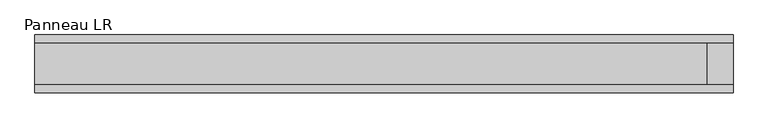
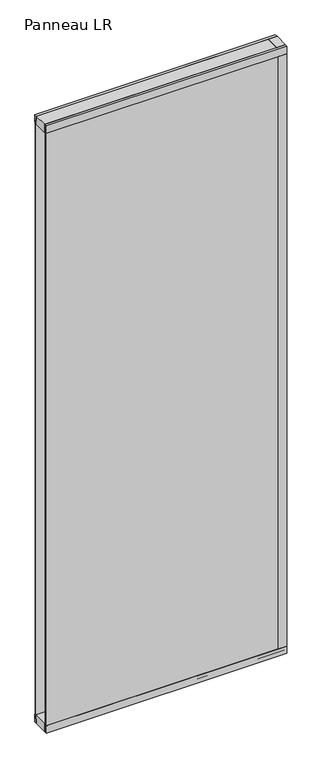
"""IFC4 building model written with IfcOpenShell, lengths in millimetres: plate geometry, Panneau LR."""

from ifc_helpers import new_model, si_unit, frame, origin, origin_with_axes, place, context, project, spatial, polyline, outline, extrude, source, transform, mapped, element, save


def panneau_lr_df6892fe(model_context):
    return source(origin(), model_context, "Body", "SweptSolid", [
        extrude(outline(polyline([(33.0, 2910.0), (45.0, 2910.0), (45.0, 2875.0), (43.8, 2875.0), (43.8, 2890.0), (33.0, 2890.0), (33.0, 2910.0)])), frame((-545.3125001, 0.0, 0.0), z_axis=(1.0, 0.0, 0.0), x_axis=(0.0, 1.0, 0.0)), (0.0, 0.0, 1.0), 1090.6250002),
        extrude(outline(polyline([(-45.0, 2875.0), (-45.0, 2910.0), (-33.0, 2910.0), (-33.0, 2890.0), (-43.8, 2890.0), (-43.8, 2875.0), (-45.0, 2875.0)])), frame((-545.3125001, 0.0, 0.0), z_axis=(1.0, 0.0, 0.0), x_axis=(0.0, 1.0, 0.0)), (0.0, 0.0, 1.0), 1090.6250002),
        extrude(outline(polyline([(545.3125001, 33.0), (545.3125001, -33.0), (505.3125001, -33.0), (505.3125001, 33.0), (545.3125001, 33.0)])), frame((0.0, 0.0, 40.0), z_axis=(0.0, 0.0, 1.0), x_axis=(1.0, 0.0, 0.0)), (0.0, 0.0, 1.0), 2870.0),
        extrude(outline(polyline([(506.7125001, 43.8), (506.7125001, 45.0), (545.3125001, 45.0), (545.3125001, 33.0), (521.7125001, 33.0), (521.7125001, 43.8), (506.7125001, 43.8)])), frame((0.0, 0.0, 35.0), z_axis=(0.0, 0.0, 1.0), x_axis=(1.0, 0.0, 0.0)), (0.0, 0.0, 1.0), 2840.0),
        extrude(outline(polyline([(506.7125001, -45.0), (506.7125001, -43.8), (521.7125001, -43.8), (521.7125001, -33.0), (545.3125001, -33.0), (545.3125001, -45.0), (506.7125001, -45.0)])), frame((0.0, 0.0, 35.0), z_axis=(0.0, 0.0, 1.0), x_axis=(1.0, 0.0, 0.0)), (0.0, 0.0, 1.0), 2840.0),
        extrude(outline(polyline([(33.0, 0.0), (33.0, 20.0), (43.8, 20.0), (43.8, 35.0), (45.0, 35.0), (45.0, 0.0), (33.0, 0.0)])), frame((-545.3125001, 0.0, 0.0), z_axis=(1.0, 0.0, 0.0), x_axis=(0.0, 1.0, 0.0)), (0.0, 0.0, 1.0), 1090.6250002),
        extrude(outline(polyline([(-45.0, 35.0), (-43.8, 35.0), (-43.8, 20.0), (-33.0, 20.0), (-33.0, 0.0), (-45.0, 0.0), (-45.0, 35.0)])), frame((-545.3125001, 0.0, 0.0), z_axis=(1.0, 0.0, 0.0), x_axis=(0.0, 1.0, 0.0)), (0.0, 0.0, 1.0), 1090.6250002),
        extrude(outline(polyline([(545.3125001, -33.0), (-545.3125001, -33.0), (-545.3125001, 33.0), (545.3125001, 33.0), (545.3125001, -33.0)])), frame((0.0, 0.0, 2870.0), z_axis=(0.0, 0.0, 1.0), x_axis=(1.0, 0.0, 0.0)), (0.0, 0.0, 1.0), 40.0),
        extrude(outline(polyline([(545.3125001, -33.0), (-545.3125001, -33.0), (-545.3125001, 33.0), (545.3125001, 33.0), (545.3125001, -33.0)])), origin_with_axes(), (0.0, 0.0, 1.0), 40.0),
        extrude(outline(polyline([(537.3125001, 37.8), (-545.3125001, 37.8), (-545.3125001, 43.8), (537.3125001, 43.8), (537.3125001, 37.8)])), frame((0.0, 0.0, 20.0), z_axis=(0.0, 0.0, 1.0), x_axis=(1.0, 0.0, 0.0)), (0.0, 0.0, 1.0), 2870.0),
        extrude(outline(polyline([(-545.3125001, -43.8), (-545.3125001, -37.8), (537.3125001, -37.8), (537.3125001, -43.8), (-545.3125001, -43.8)])), frame((0.0, 0.0, 20.0), z_axis=(0.0, 0.0, 1.0), x_axis=(1.0, 0.0, 0.0)), (0.0, 0.0, 1.0), 2870.0),
    ])


if __name__ == "__main__":
    model = new_model("IFC4")
    model_context = context("Model", 3, world=origin())
    ifc_project = project(units=[si_unit("LENGTHUNIT", "METRE", prefix="MILLI")], contexts=[model_context])
    site = spatial("IfcSite", under=ifc_project)
    building = spatial("IfcBuilding", under=site)
    placement = place(None, origin())
    panneau_lr_shape = panneau_lr_df6892fe(model_context)
    element("IfcPlate", 1, ObjectType="Panneau LR", at=placement, inside=building, context=model_context, shape_type="MappedRepresentation", body=[
        mapped(panneau_lr_shape, transform((0.0, 0.0, 0.0), x_axis=(1.0, 0.0, 0.0), y_axis=(0.0, 1.0, 0.0), z_axis=(0.0, 0.0, 1.0))),
    ])
    save(model, "model.ifc")
